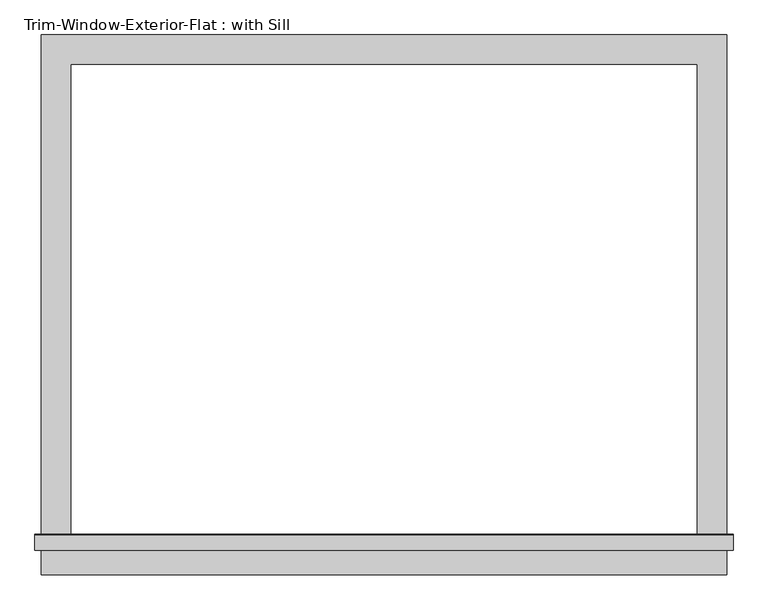
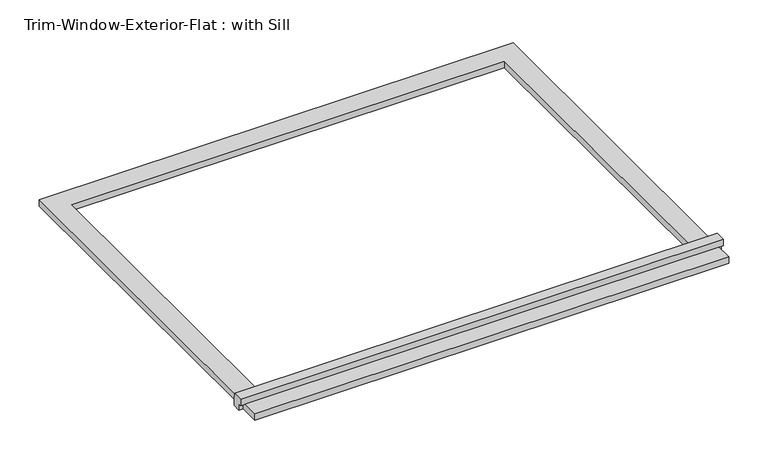
"""IFC4 building model written with IfcOpenShell, lengths in millimetres: proxy geometry, Trim-Window-Exterior-Flat : with Sill."""

import ifcopenshell
import ifcopenshell.guid

model = None  # the IFC model being written
_history = None  # IfcOwnerHistory: only IFC2X3 demands one
_inside = {}  # id of a spatial element -> (the spatial element, [elements in it])
_under = {}  # id of a project, library or spatial element -> (it, [spatial elements below it])
_declared = {}  # id of a project -> (the project, [libraries it declares])
_typed = {}  # id of a type object -> (the type object, [elements of that type])
_made_of = {}  # id of a material, layer set ... -> (it, [elements and type objects made of it])


def new_model(schema):
    """Start an empty IFC model of exactly this schema.

    Asked for "IFC4X3", IfcOpenShell would pick the latest addendum, in which some entities
    have other attributes; the version numbers below select the first issue.
    IFC2X3 requires an IfcOwnerHistory on every rooted entity: one is made here for all.
    """
    global model, _history
    if schema == "IFC4X3":
        model = ifcopenshell.file(schema_version=(4, 3, 0, 0))
    else:
        model = ifcopenshell.file(schema=schema)
    _inside.clear()
    _under.clear()
    _declared.clear()
    _typed.clear()
    _made_of.clear()
    _history = None
    if model.schema == "IFC2X3":
        org = make("IfcOrganization", Name="unknown")
        user = make(
            "IfcPersonAndOrganization",
            ThePerson=make("IfcPerson", FamilyName="unknown"),
            TheOrganization=org,
        )
        app = make(
            "IfcApplication",
            ApplicationDeveloper=org,
            Version="unknown",
            ApplicationFullName="unknown",
            ApplicationIdentifier="unknown",
        )
        _history = make(
            "IfcOwnerHistory",
            OwningUser=user,
            OwningApplication=app,
            ChangeAction="ADDED",
            CreationDate=0,
        )
    return model


def make(cls, **values):
    """One entity of the class cls with the attributes given. An attribute that is None is left unset."""
    return model.create_entity(
        cls, **{name: value for name, value in values.items() if value is not None}
    )


def rooted(cls, **values):
    """An entity with a GlobalId (a new one), such as an element, a storey or a relation."""
    return make(cls, GlobalId=ifcopenshell.guid.new(), OwnerHistory=_history, **values)


def si_unit(unit_type, name, prefix=None):
    """IfcSIUnit, for example si_unit("LENGTHUNIT", "METRE", prefix="MILLI")."""
    return make("IfcSIUnit", UnitType=unit_type, Prefix=prefix, Name=name)


def assignment(units):
    """IfcUnitAssignment: the units of a project."""
    return None if units is None else make("IfcUnitAssignment", Units=units)


def point(xyz):
    """IfcCartesianPoint."""
    return None if xyz is None else make("IfcCartesianPoint", Coordinates=xyz)


def direction(xyz):
    """IfcDirection."""
    return None if xyz is None else make("IfcDirection", DirectionRatios=xyz)


def frame(location, z_axis=None, x_axis=None):
    """IfcAxis2Placement3D, a coordinate frame: its origin and axes. An axis left out is left unset."""
    return make(
        "IfcAxis2Placement3D",
        Location=point(location),
        Axis=direction(z_axis),
        RefDirection=direction(x_axis),
    )


def origin():
    """The frame at (0, 0, 0) with its axes left unset."""
    return frame((0.0, 0.0, 0.0))


def origin_with_axes():
    """The frame at (0, 0, 0) with the z axis (0, 0, 1) and the x axis (1, 0, 0) written out."""
    return frame((0.0, 0.0, 0.0), z_axis=(0.0, 0.0, 1.0), x_axis=(1.0, 0.0, 0.0))


def place(relative_to, where):
    """IfcLocalPlacement: puts the frame where relative to a parent placement (None: the world)."""
    return make(
        "IfcLocalPlacement", PlacementRelTo=relative_to, RelativePlacement=where
    )


def context(
    kind, dimensions, precision=None, world=None, true_north=None, identifier=None
):
    """IfcGeometricRepresentationContext, for example the 3D "Model" context."""
    return make(
        "IfcGeometricRepresentationContext",
        ContextIdentifier=identifier,
        ContextType=kind,
        CoordinateSpaceDimension=dimensions,
        Precision=precision,
        WorldCoordinateSystem=world,
        TrueNorth=true_north,
    )


def project(units=None, contexts=None):
    """IfcProject with its units and contexts."""
    return rooted(
        "IfcProject",
        Name="project",
        RepresentationContexts=contexts,
        UnitsInContext=assignment(units),
    )


def spatial(cls, under=None, at=None, **own):
    """A site, building, storey or space (cls), placed at a placement, below another one or the project."""
    s = rooted(cls, ObjectPlacement=at, **own)
    if under is not None:
        _under.setdefault(under.id(), (under, []))[1].append(s)
    return s


def polyline(points):
    """IfcPolyline through the points."""
    return make("IfcPolyline", Points=[point(p) for p in points])


def outline(outer, holes=None, kind="AREA"):
    """IfcArbitraryClosedProfileDef: a profile drawn as a closed curve; with holes, ...WithVoids."""
    if holes is None:
        return make("IfcArbitraryClosedProfileDef", ProfileType=kind, OuterCurve=outer)
    return make(
        "IfcArbitraryProfileDefWithVoids",
        ProfileType=kind,
        OuterCurve=outer,
        InnerCurves=holes,
    )


def extrude(swept, where, along, depth):
    """IfcExtrudedAreaSolid: the profile swept, set in the frame where, extruded along a direction by depth."""
    return make(
        "IfcExtrudedAreaSolid",
        SweptArea=swept,
        Position=where,
        ExtrudedDirection=direction(along),
        Depth=depth,
    )


def shape(context_of_items, identifier, shape_type, items):
    """IfcShapeRepresentation: the items that make up one representation, for example the "Body"."""
    return make(
        "IfcShapeRepresentation",
        ContextOfItems=context_of_items,
        RepresentationIdentifier=identifier,
        RepresentationType=shape_type,
        Items=items,
    )


def source(mapping_origin, context_of_items, identifier, shape_type, items):
    """IfcRepresentationMap: a shape defined once, which mapped items show again and again."""
    return make(
        "IfcRepresentationMap",
        MappingOrigin=mapping_origin,
        MappedRepresentation=shape(context_of_items, identifier, shape_type, items),
    )


def transform(
    local_origin,
    x_axis=None,
    y_axis=None,
    z_axis=None,
    scale=None,
    scale2=None,
    scale3=None,
    uniform=True,
):
    """IfcCartesianTransformationOperator3D, or its non-uniform kind. x_axis, y_axis, z_axis: its Axis1, 2, 3."""
    if uniform:
        return make(
            "IfcCartesianTransformationOperator3D",
            Axis1=direction(x_axis),
            Axis2=direction(y_axis),
            LocalOrigin=point(local_origin),
            Scale=scale,
            Axis3=direction(z_axis),
        )
    return make(
        "IfcCartesianTransformationOperator3DnonUniform",
        Axis1=direction(x_axis),
        Axis2=direction(y_axis),
        LocalOrigin=point(local_origin),
        Scale=scale,
        Axis3=direction(z_axis),
        Scale2=scale2,
        Scale3=scale3,
    )


def mapped(mapping_source, mapping_target):
    """IfcMappedItem: shows the shape of a source again, moved by a transform."""
    return make(
        "IfcMappedItem", MappingSource=mapping_source, MappingTarget=mapping_target
    )


def made_of(thing, what):
    """Note that an element or type object is made of a material, layer set ...; save() writes the relation."""
    if what is not None:
        _made_of.setdefault(what.id(), (what, []))[1].append(thing)
    return thing


def element(
    cls,
    number,
    at=None,
    inside=None,
    cuts=None,
    type_object=None,
    material=None,
    context=None,
    identifier="Body",
    shape_type=None,
    held_by="IfcProductDefinitionShape",
    body=None,
    shapes=None,
    **own,
):
    """One element of the class cls, such as IfcWall. Its Tag is "e" and its number.

    at: its placement. inside: the storey or other place that contains it. cuts: it is an
    opening in that element (IfcRelVoidsElement). A single representation is given by context,
    identifier, shape_type and body (its items); several are given by shapes. held_by: the class
    of the entity that holds the representations. save() writes the other relations.
    """
    e = rooted(cls, Tag="e%d" % number, ObjectPlacement=at, **own)
    if body is not None:
        shapes = [shape(context, identifier, shape_type, body)]
    if shapes is not None:
        e.Representation = make(held_by, Representations=shapes)
    if inside is not None:
        _inside.setdefault(inside.id(), (inside, []))[1].append(e)
    if cuts is not None:
        rooted(
            "IfcRelVoidsElement", RelatingBuildingElement=cuts, RelatedOpeningElement=e
        )
    if type_object is not None:
        _typed.setdefault(type_object.id(), (type_object, []))[1].append(e)
    return made_of(e, material)


def aggregate(whole, parts):
    """IfcRelAggregates: a whole, such as a stair, and the parts it consists of."""
    return rooted("IfcRelAggregates", RelatingObject=whole, RelatedObjects=parts)


def save(model, path):
    """Write the relations noted so far, then the file.

    IfcRelAggregates (storeys below a building ...), IfcRelContainedInSpatialStructure (elements
    in a storey), IfcRelDefinesByType, IfcRelAssociatesMaterial and IfcRelDeclares: one each for
    every whole, place, type object, material and project.
    """
    for whole, parts in _under.values():
        aggregate(whole, parts)
    for where, things in _inside.values():
        rooted(
            "IfcRelContainedInSpatialStructure",
            RelatedElements=things,
            RelatingStructure=where,
        )
    for kind, things in _typed.values():
        rooted("IfcRelDefinesByType", RelatedObjects=things, RelatingType=kind)
    for what, things in _made_of.values():
        rooted("IfcRelAssociatesMaterial", RelatedObjects=things, RelatingMaterial=what)
    for by, libraries in _declared.values():
        rooted("IfcRelDeclares", RelatingContext=by, RelatedDefinitions=libraries)
    model.write(path)


def trim_window_exterior_flat_with_sill_c4e67c73(model_context):
    return source(origin(), model_context, "Body", "SweptSolid", [
        extrude(outline(polyline([(666.75, -936.5823709), (666.75, -993.7323709), (-666.75, -993.7323709), (-666.75, -936.5823709), (666.75, -936.5823709)])), origin_with_axes(), (0.0, 0.0, 1.0), 19.05),
        extrude(outline(polyline([(-946.15, 38.1), (-916.8580645, 38.1), (-914.4, 19.05), (-914.4, 0.0), (-936.5823709, 0.0), (-936.5823709, 19.05), (-946.15, 19.05), (-946.15, 38.1)])), frame((-679.45, 0.0, 0.0), z_axis=(1.0, 0.0, 0.0), x_axis=(0.0, 1.0, 0.0)), (0.0, 0.0, 1.0), 1358.9),
        extrude(outline(polyline([(-666.75, 57.15), (666.75, 57.15), (666.75, -914.4), (609.6, -914.4), (609.6, 0.0), (-609.6, 0.0), (-609.6, -914.4), (-666.75, -914.4), (-666.75, 57.15)])), origin_with_axes(), (0.0, 0.0, 1.0), 19.05),
    ])


if __name__ == "__main__":
    model = new_model("IFC4")
    model_context = context("Model", 3, world=origin())
    ifc_project = project(units=[si_unit("LENGTHUNIT", "METRE", prefix="MILLI")], contexts=[model_context])
    site = spatial("IfcSite", under=ifc_project)
    building = spatial("IfcBuilding", under=site)
    placement = place(None, origin())
    trim_window_exterior_flat_with_sill_shape = trim_window_exterior_flat_with_sill_c4e67c73(model_context)
    element("IfcBuildingElementProxy", 1, Name="Trim-Window-Exterior-Flat : with Sill", ObjectType="Trim-Window-Exterior-Flat : with Sill", at=placement, inside=building, context=model_context, shape_type="MappedRepresentation", body=[
        mapped(trim_window_exterior_flat_with_sill_shape, transform((0.0, 0.0, 0.0), x_axis=(1.0, 0.0, 0.0), y_axis=(0.0, 1.0, 0.0), z_axis=(0.0, 0.0, 1.0))),
    ])
    save(model, "model.ifc")
